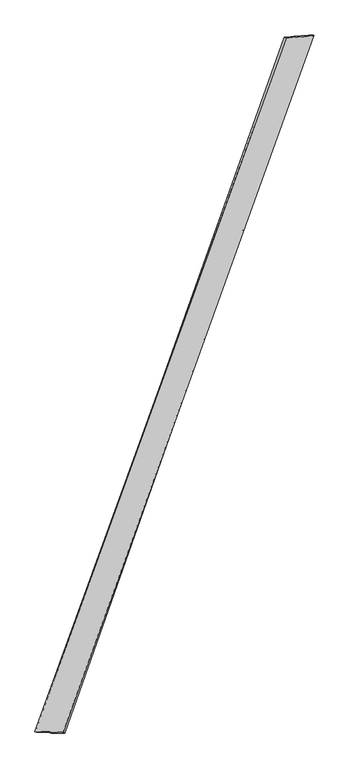
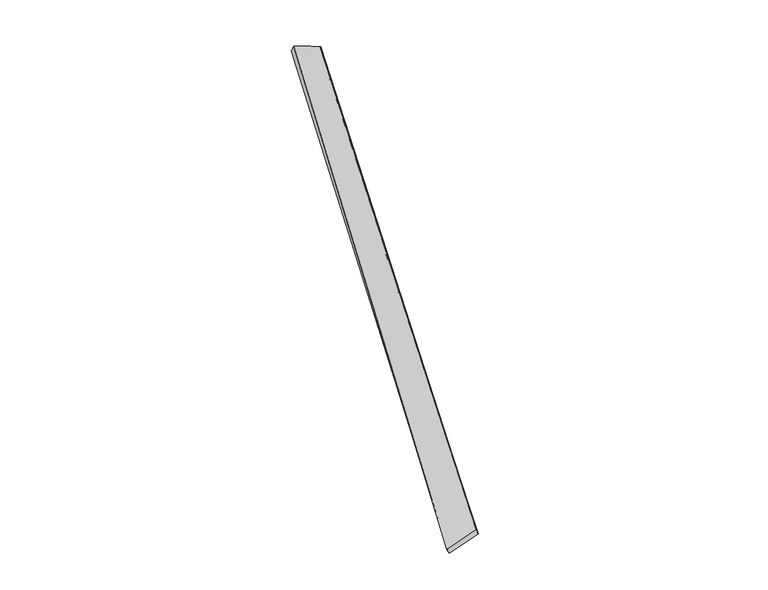
"""IFC4 building model written with IfcOpenShell, lengths in millimetres: proxy geometry."""

from ifc_helpers import new_model, si_unit, origin, place, context, project, spatial, source, transform, mapped, element, save
from ifc_brep_helpers import spline_surface, advanced_brep


def generic_models_c70831f4(model_context):
    return source(origin(), model_context, "Body", "AdvancedBrep", [
        advanced_brep(
        [(-729.8854431, -1849.0431226, -32.7783188), (-742.5147828, -1844.9967494, -5.8687174), (729.3483687, 2219.8534923, 61.6568643), (718.0114721, 2224.334266, 34.2452346), (-577.3431985, -1850.1649328, 60.8432594), (892.1404859, 2234.7406771, -7.0324708), (-567.9105522, -1853.9615832, 32.6189679), (879.7845231, 2238.6704398, -34.0858837)],
        [
            (0, 1),
            (1, 2),
            (2, 3),
            (3, 0),
            (1, 4),
            (4, 5),
            (5, 2),
            (4, 6),
            (6, 7),
            (7, 5),
            (6, 0),
            (3, 7),
        ],
        [
            spline_surface(1, 1, [[(-729.8854431, -1849.0431226, -32.7783188), (718.0114721, 2224.334266, 34.2452346)], [(-742.5147828, -1844.9967494, -5.8687174), (729.3483687, 2219.8534923, 61.6568643)]], [2, 2], [2, 2], [0.0, 1.0], [0.0, 1.0]),
            spline_surface(1, 1, [[(-742.5147828, -1844.9967494, -5.8687174), (729.3483687, 2219.8534923, 61.6568643)], [(-577.3431985, -1850.1649328, 60.8432594), (892.1404859, 2234.7406771, -7.0324708)]], [2, 2], [2, 2], [0.0, 1.0], [0.0, 1.0]),
            spline_surface(1, 1, [[(-577.3431985, -1850.1649328, 60.8432594), (892.1404859, 2234.7406771, -7.0324708)], [(-567.9105522, -1853.9615832, 32.6189679), (879.7845231, 2238.6704398, -34.0858837)]], [2, 2], [2, 2], [0.0, 1.0], [0.0, 1.0]),
            spline_surface(1, 1, [[(-567.9105522, -1853.9615832, 32.6189679), (879.7845231, 2238.6704398, -34.0858837)], [(-729.8854431, -1849.0431226, -32.7783188), (718.0114721, 2224.334266, 34.2452346)]], [2, 2], [2, 2], [0.0, 1.0], [0.0, 1.0]),
            spline_surface(1, 1, [[(729.3483687, 2219.8534923, 61.6568643), (718.0114721, 2224.334266, 34.2452346)], [(892.1404859, 2234.7406771, -7.0324708), (879.7845231, 2238.6704398, -34.0858837)]], [2, 2], [2, 2], [0.0, 1.0], [0.0, 1.0]),
            spline_surface(1, 1, [[(-567.9105522, -1853.9615832, 32.6189679), (-729.8854431, -1849.0431226, -32.7783188)], [(-577.3431985, -1850.1649328, 60.8432594), (-742.5147828, -1844.9967494, -5.8687174)]], [2, 2], [2, 2], [0.0, 1.0], [0.0, 1.0]),
        ],
        [
            (0, [[1, 2, 3, 4]]),
            (1, [[5, 6, 7, -2]]),
            (2, [[8, 9, 10, -6]]),
            (3, [[11, -4, 12, -9]]),
            (4, [[-3, -7, -10, -12]]),
            (5, [[-11, -8, -5, -1]]),
        ],
    ),
    ])


if __name__ == "__main__":
    model = new_model("IFC4")
    model_context = context("Model", 3, world=origin())
    ifc_project = project(units=[si_unit("LENGTHUNIT", "METRE", prefix="MILLI")], contexts=[model_context])
    site = spatial("IfcSite", under=ifc_project)
    building = spatial("IfcBuilding", under=site)
    placement = place(None, origin())
    generic_models_shape = generic_models_c70831f4(model_context)
    element("IfcBuildingElementProxy", 1, Name="Generic Models", at=placement, inside=building, context=model_context, shape_type="MappedRepresentation", body=[
        mapped(generic_models_shape, transform((0.0, 0.0, 0.0), x_axis=(1.0, 0.0, 0.0), y_axis=(0.0, 1.0, 0.0), z_axis=(0.0, 0.0, 1.0))),
    ])
    save(model, "model.ifc")
